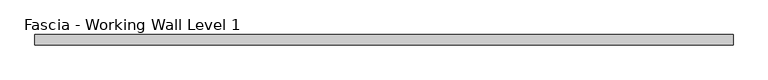
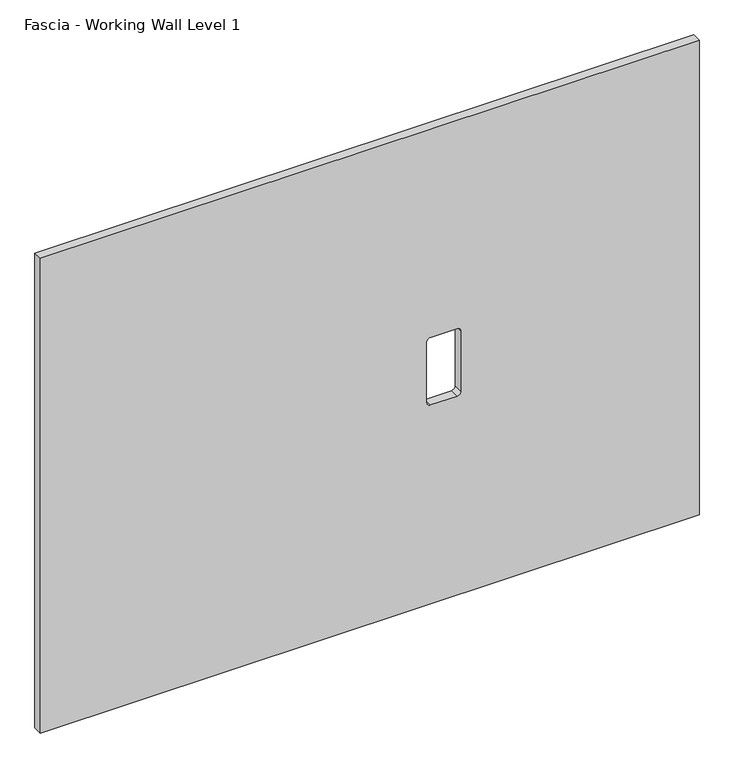
"""IFC4 building model written with IfcOpenShell, lengths in millimetres: proxy geometry, Fascia - Working Wall Level 1."""

from ifc_helpers import new_model, si_unit, point, frame, frame_2d, origin, place, context, project, spatial, polyline, circle_curve, trimmed, segment, composite_curve, outline, extrude, source, transform, mapped, element, save


def fascia_working_wall_level_1_2a262c89(model_context):
    return source(origin(), model_context, "Body", "SweptSolid", [
        extrude(outline(polyline([(918.2606874, -619.9234381), (0.0, -619.9234381), (0.0, 585.3708632), (918.2606874, 585.3708632), (918.2606874, -619.9234381)]), holes=[composite_curve([segment(polyline([(384.9156731, 142.7295257), (384.9156731, 93.8853257)]), True, "CONTINUOUS"), segment(trimmed(circle_curve(frame_2d((391.2656731, 93.8853257)), 6.35), [point((384.9156731, 93.8853257))], [point((391.2656731, 87.5353257))], True, "CARTESIAN"), True, "CONTINUOUS"), segment(polyline([(391.2656731, 87.5353257), (509.0200731, 87.5353257)]), True, "CONTINUOUS"), segment(trimmed(circle_curve(frame_2d((509.0200731, 93.8853257)), 6.35), [point((509.0200731, 87.5353257))], [point((515.3700731, 93.8853257))], True, "CARTESIAN"), True, "CONTINUOUS"), segment(polyline([(515.3700731, 93.8853257), (515.3700731, 142.7295257)]), True, "CONTINUOUS"), segment(trimmed(circle_curve(frame_2d((509.0200731, 142.7295257)), 6.35), [point((515.3700731, 142.7295257))], [point((509.0200731, 149.0795257))], True, "CARTESIAN"), True, "CONTINUOUS"), segment(polyline([(509.0200731, 149.0795257), (391.2656731, 149.0795257)]), True, "CONTINUOUS"), segment(trimmed(circle_curve(frame_2d((391.2656731, 142.7295257)), 6.35), [point((391.2656731, 149.0795257))], [point((384.9156731, 142.7295257))], True, "CARTESIAN"), True, "CONTINUOUS")], self_intersect=False)]), frame((0.0, -24.22678, 0.0), z_axis=(0.0, 1.0, 0.0), x_axis=(0.0, 0.0, 1.0)), (0.0, 0.0, 1.0), 17.4752),
    ])


if __name__ == "__main__":
    model = new_model("IFC4")
    model_context = context("Model", 3, world=origin())
    ifc_project = project(units=[si_unit("LENGTHUNIT", "METRE", prefix="MILLI")], contexts=[model_context])
    site = spatial("IfcSite", under=ifc_project)
    building = spatial("IfcBuilding", under=site)
    placement = place(None, origin())
    fascia_working_wall_level_1_shape = fascia_working_wall_level_1_2a262c89(model_context)
    element("IfcBuildingElementProxy", 1, Name="Fascia - Working Wall Level 1", ObjectType="Fascia - Working Wall Level 1", at=placement, inside=building, context=model_context, shape_type="MappedRepresentation", body=[
        mapped(fascia_working_wall_level_1_shape, transform((0.0, 0.0, 0.0), x_axis=(1.0, 0.0, 0.0), y_axis=(0.0, 1.0, 0.0), z_axis=(0.0, 0.0, 1.0))),
    ])
    save(model, "model.ifc")
